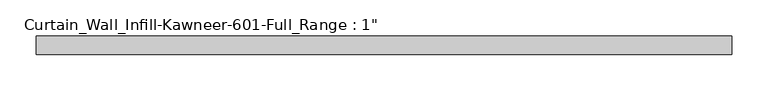
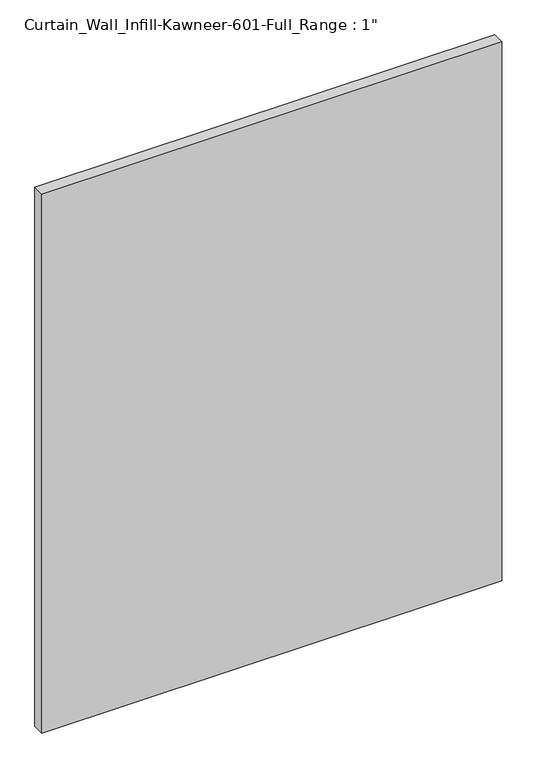
"""IFC4 building model written with IfcOpenShell, lengths in millimetres: plate geometry."""

from ifc_helpers import new_model, si_unit, origin, origin_with_axes, place, context, project, spatial, polyline, outline, extrude, source, transform, mapped, element, save


def plate_b4def1e5(model_context):
    return source(origin(), model_context, "Body", "SweptSolid", [
        extrude(outline(polyline([(-479.425, 12.7), (479.425, 12.7), (479.425, -12.7), (-479.425, -12.7), (-479.425, 12.7)])), origin_with_axes(), (0.0, 0.0, 1.0), 1187.45),
    ])


if __name__ == "__main__":
    model = new_model("IFC4")
    model_context = context("Model", 3, world=origin())
    ifc_project = project(units=[si_unit("LENGTHUNIT", "METRE", prefix="MILLI")], contexts=[model_context])
    site = spatial("IfcSite", under=ifc_project)
    building = spatial("IfcBuilding", under=site)
    placement = place(None, origin())
    plate_shape = plate_b4def1e5(model_context)
    element("IfcPlate", 1, ObjectType="Curtain_Wall_Infill-Kawneer-601-Full_Range : 1\"", at=placement, inside=building, context=model_context, shape_type="MappedRepresentation", body=[
        mapped(plate_shape, transform((0.0, 0.0, 0.0), x_axis=(1.0, 0.0, 0.0), y_axis=(0.0, 1.0, 0.0), z_axis=(0.0, 0.0, 1.0))),
    ])
    save(model, "model.ifc")
